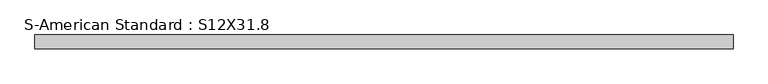
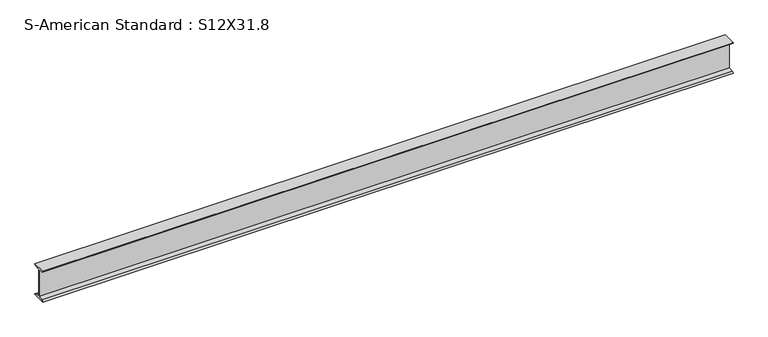
"""IFC4 building model written with IfcOpenShell, lengths in millimetres: beam geometry, S-American Standard : S12X31.8."""

from ifc_helpers import new_model, si_unit, point, frame, frame_2d, origin, place, context, project, spatial, polyline, circle_curve, trimmed, segment, composite_curve, outline, extrude, source, transform, mapped, element, save


def s_american_standard_s12x31_8_75f9c1c0(model_context):
    return source(origin(), model_context, "Body", "SweptSolid", [
        extrude(outline(composite_curve([segment(polyline([(-63.5, 152.4), (63.5, 152.4)]), True, "CONTINUOUS"), segment(trimmed(circle_curve(frame_2d((49.7, 152.4)), 13.8), [point((63.5, 152.4))], [point((49.7, 138.6))], False, "CARTESIAN"), True, "CONTINUOUS"), segment(polyline([(49.7, 138.6), (4.45, 131.4331041), (4.45, -131.4331041), (49.7, -138.6)]), True, "CONTINUOUS"), segment(trimmed(circle_curve(frame_2d((49.7, -152.4)), 13.8), [point((49.7, -138.6))], [point((63.5, -152.4))], False, "CARTESIAN"), True, "CONTINUOUS"), segment(polyline([(63.5, -152.4), (-63.5, -152.4)]), True, "CONTINUOUS"), segment(trimmed(circle_curve(frame_2d((-49.7, -152.4)), 13.8), [point((-63.5, -152.4))], [point((-49.7, -138.6))], False, "CARTESIAN"), True, "CONTINUOUS"), segment(polyline([(-49.7, -138.6), (-4.45, -131.4331041), (-4.45, 131.4331041), (-49.7, 138.6)]), True, "CONTINUOUS"), segment(trimmed(circle_curve(frame_2d((-49.7, 152.4)), 13.8), [point((-49.7, 138.6))], [point((-63.5, 152.4))], False, "CARTESIAN"), True, "CONTINUOUS")], self_intersect=False)), frame((-3231.5984097, 0.0, 0.0), z_axis=(1.0, 0.0, 0.0), x_axis=(0.0, 1.0, 0.0)), (0.0, 0.0, 1.0), 6466.7758263),
    ])


if __name__ == "__main__":
    model = new_model("IFC4")
    model_context = context("Model", 3, world=origin())
    ifc_project = project(units=[si_unit("LENGTHUNIT", "METRE", prefix="MILLI")], contexts=[model_context])
    site = spatial("IfcSite", under=ifc_project)
    building = spatial("IfcBuilding", under=site)
    placement = place(None, origin())
    s_american_standard_s12x31_8_shape = s_american_standard_s12x31_8_75f9c1c0(model_context)
    element("IfcBeam", 1, ObjectType="S-American Standard : S12X31.8", at=placement, inside=building, context=model_context, shape_type="MappedRepresentation", body=[
        mapped(s_american_standard_s12x31_8_shape, transform((0.0, 0.0, 0.0), x_axis=(1.0, 0.0, 0.0), y_axis=(0.0, 1.0, 0.0), z_axis=(0.0, 0.0, 1.0))),
    ])
    save(model, "model.ifc")
